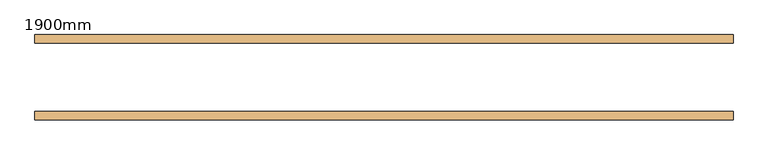
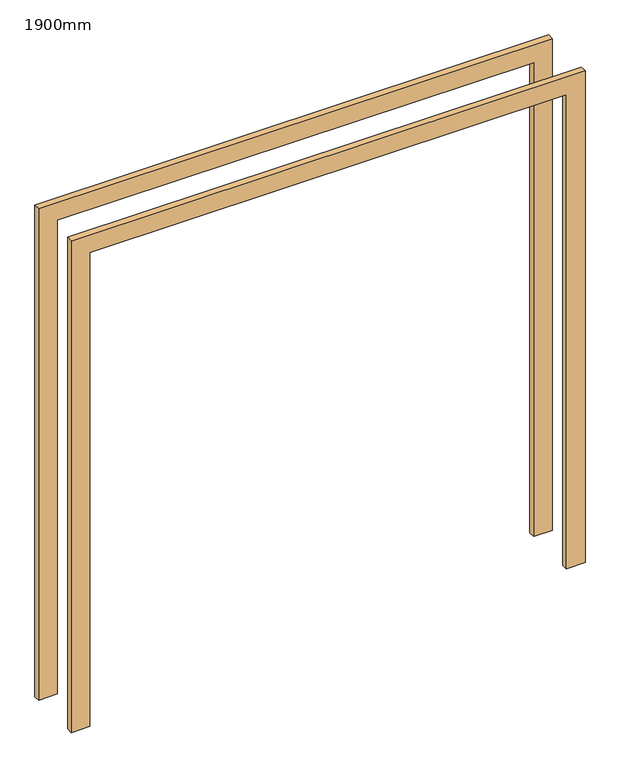
"""IFC4 building model written with IfcOpenShell, lengths in millimetres: door geometry, 1900mm."""

from ifc_helpers import new_model, si_unit, frame, origin, place, context, project, spatial, polyline, outline, extrude, source, transform, mapped, element, save


def door_1900mm_72386948(model_context):
    return source(origin(), model_context, "Body", "SweptSolid", [
        extrude(outline(polyline([(2000.0, -950.0), (2000.0, 950.0), (0.0, 950.0), (0.0, 1025.0), (2075.0, 1025.0), (2075.0, -1025.0), (0.0, -1025.0), (0.0, -950.0), (2000.0, -950.0)])), frame((0.0, 100.2, 0.0), z_axis=(0.0, 1.0, 0.0), x_axis=(0.0, 0.0, 1.0)), (0.0, 0.0, 1.0), 25.0),
        extrude(outline(polyline([(2075.0, -1025.0), (0.0, -1025.0), (0.0, -950.0), (2000.0, -950.0), (2000.0, 950.0), (0.0, 950.0), (0.0, 1025.0), (2075.0, 1025.0), (2075.0, -1025.0)])), frame((0.0, -125.2, 0.0), z_axis=(0.0, 1.0, 0.0), x_axis=(0.0, 0.0, 1.0)), (0.0, 0.0, 1.0), 25.0),
    ])


if __name__ == "__main__":
    model = new_model("IFC4")
    model_context = context("Model", 3, world=origin())
    ifc_project = project(units=[si_unit("LENGTHUNIT", "METRE", prefix="MILLI")], contexts=[model_context])
    site = spatial("IfcSite", under=ifc_project)
    building = spatial("IfcBuilding", under=site)
    placement = place(None, origin())
    door_1900mm_shape = door_1900mm_72386948(model_context)
    element("IfcDoor", 1, ObjectType="1900mm", at=placement, inside=building, context=model_context, shape_type="MappedRepresentation", body=[
        mapped(door_1900mm_shape, transform((0.0, 0.0, 0.0), x_axis=(1.0, 0.0, 0.0), y_axis=(0.0, 1.0, 0.0), z_axis=(0.0, 0.0, 1.0))),
    ])
    save(model, "model.ifc")
